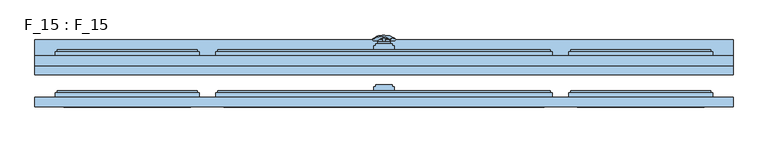
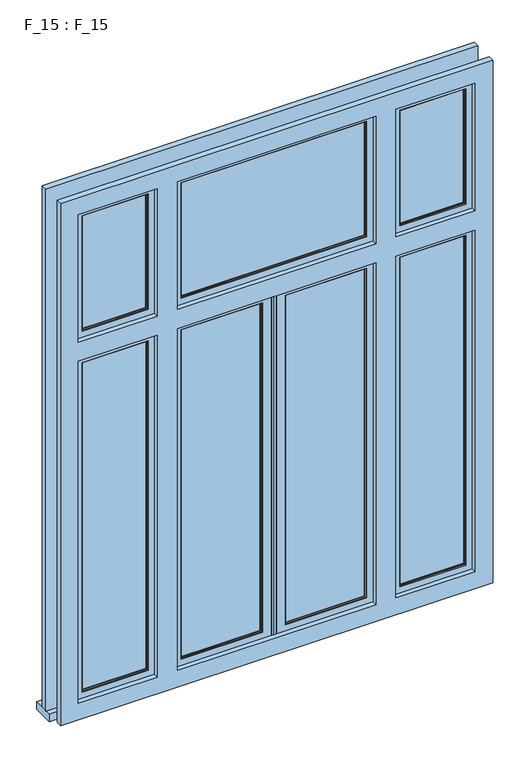
"""IFC4 building model written with IfcOpenShell, lengths in millimetres: window geometry, F_15 : F_15."""

from ifc_helpers import new_model, si_unit, point, frame, frame_2d, origin, place, context, project, spatial, polyline, circle_curve, ellipse_curve, trimmed, segment, composite_curve, outline, extrude, faceted_brep, source, transform, mapped, element, save
from ifc_brep_helpers import plane_surface, revolved_surface, advanced_brep


def f_15_f_15_17ebb939(model_context):
    return source(origin(), model_context, "Body", "SolidModel", [
        advanced_brep(
        [(-28.5497704, 85.2287724, 1583.0503474), (-14.693364, 85.2287724, 1575.0503474), (14.693364, 85.2287724, 1657.9496533), (28.5497704, 85.2287724, 1649.9496533)],
        [
            (0, 1, ellipse_curve(frame((-21.6215672, 85.2287724, 1579.0503474), z_axis=(-0.46984631039295827, -0.3420201433256777, -0.8137976813493676), x_axis=(0.8660254037844349, 0.0, -0.5000000000000066)), 8.0, 3.5)),
            (1, 0, ellipse_curve(frame((-21.6215672, 85.2287724, 1579.0503474), z_axis=(-0.46984631039295827, -0.3420201433256777, -0.8137976813493676), x_axis=(0.8660254037844349, 0.0, -0.5000000000000066)), 8.0, 3.5)),
            (2, 3, ellipse_curve(frame((21.6215672, 85.2287724, 1653.9496533), z_axis=(0.46984631039296154, -0.3420201433256599, 0.8137976813493732), x_axis=(0.8660254037844355, 0.0, -0.5000000000000056)), 8.0, 3.5)),
            (3, 2, ellipse_curve(frame((21.6215672, 85.2287724, 1653.9496533), z_axis=(0.46984631039296154, -0.3420201433256599, 0.8137976813493732), x_axis=(0.8660254037844355, 0.0, -0.5000000000000056)), 8.0, 3.5)),
            (2, 0, circle_curve(frame((-6.9282032, -33.580763, 1620.5000003), z_axis=(-0.8660254037844353, 0.0, 0.500000000000006), x_axis=(-0.1710100716628409, 0.9396926207859051, -0.29619813272603046)), 126.4344667)),
            (1, 3, circle_curve(frame((6.9282032, -33.580763, 1612.5000003), z_axis=(0.8660254037844353, 0.0, -0.500000000000006), x_axis=(-0.1710100716628409, 0.9396926207859051, -0.29619813272603046)), 126.4344667)),
        ],
        [
            plane_surface(frame((40.0926994, 82.5471681, 1544.5466146), z_axis=(-0.4698463103929582, -0.34202014332567776, -0.8137976813493677), x_axis=(-0.8660254037844352, 0.0, 0.500000000000006))),
            plane_surface(frame((82.3598097, 82.5471681, 1617.755397), z_axis=(0.4698463103929615, -0.34202014332565983, 0.8137976813493734), x_axis=(-0.8660254037844352, 0.0, 0.500000000000006))),
            revolved_surface(trimmed(ellipse_curve(frame((-21.6215672, 85.2287724, 1579.0503474), z_axis=(0.46984631039295827, 0.3420201433256777, 0.8137976813493676), x_axis=(0.8660254037844349, 0.0, -0.5000000000000066)), 8.0, 3.5), [point((-28.5497704, 85.2287724, 1583.0503474))], [point((-14.693364, 85.2287724, 1575.0503474))], True, "CARTESIAN"), (61.2262546, -33.580763, 1581.1510058), (-0.8660254037844353, 0.0, 0.500000000000006)),
            revolved_surface(trimmed(ellipse_curve(frame((-21.6215672, 85.2287724, 1579.0503474), z_axis=(0.46984631039295827, 0.3420201433256777, 0.8137976813493676), x_axis=(0.8660254037844349, 0.0, -0.5000000000000066)), 8.0, 3.5), [point((-14.693364, 85.2287724, 1575.0503474))], [point((-28.5497704, 85.2287724, 1583.0503474))], True, "CARTESIAN"), (61.2262546, -33.580763, 1581.1510058), (-0.8660254037844353, 0.0, 0.500000000000006)),
        ],
        [
            (0, [[1, 2]]),
            (1, [[3, 4]]),
            (2, [[-3, 5, -2, 6]]),
            (3, [[-4, -6, -1, -5]]),
        ],
    ),
        extrude(outline(composite_curve([segment(trimmed(circle_curve(frame_2d((1616.5000003, 0.0)), 3.5), [point((1616.5000003, -3.5))], [point((1616.5000003, 3.5))], False, "CARTESIAN"), True, "CONTINUOUS"), segment(trimmed(circle_curve(frame_2d((1616.5000003, 0.0)), 3.5), [point((1616.5000003, 3.5))], [point((1616.5000003, -3.5))], False, "CARTESIAN"), True, "CONTINUOUS")], self_intersect=False)), frame((0.0, 80.0, 0.0), z_axis=(0.0, 1.0, 0.0), x_axis=(0.0, 0.0, 1.0)), (0.0, 0.0, 1.0), 10.0),
        extrude(outline(composite_curve([segment(polyline([(1680.8020112, -15.0), (1550.8020112, -15.0)]), True, "CONTINUOUS"), segment(trimmed(circle_curve(frame_2d((1550.8020112, 0.0)), 15.0), [point((1550.8020112, -15.0))], [point((1550.8020112, 15.0))], False, "CARTESIAN"), True, "CONTINUOUS"), segment(polyline([(1550.8020112, 15.0), (1680.8020112, 15.0)]), True, "CONTINUOUS"), segment(trimmed(circle_curve(frame_2d((1680.8020112, 0.0)), 15.0), [point((1680.8020112, 15.0))], [point((1680.8020112, -15.0))], False, "CARTESIAN"), True, "CONTINUOUS")], self_intersect=False)), frame((0.0, 75.0, 0.0), z_axis=(0.0, 1.0, 0.0), x_axis=(0.0, 0.0, 1.0)), (0.0, 0.0, 1.0), 5.0),
        extrude(outline(polyline([(850.0, 85.0), (850.0, 0.0), (-850.0, 0.0), (-850.0, 85.0), (850.0, 85.0)])), frame((0.0, 0.0, 810.0), z_axis=(0.0, 0.0, 1.0), x_axis=(1.0, 0.0, 0.0)), (0.0, 0.0, 1.0), 30.0),
        faceted_brep([(400.0, -60.0, 2950.0), (400.0, -60.0, 2400.0000003), (400.0, -55.0, 2400.0000003), (400.0, -55.0, 2950.0), (365.0, -55.0, 2915.0), (365.0, -55.0, 2435.0000003), (365.0, -60.0, 2435.0000003), (365.0, -60.0, 2915.0), (360.0, -45.0, 2910.0), (360.0, -45.0, 2440.0000003), (360.0, -55.0, 2440.0000003), (360.0, -55.0, 2910.0), (365.0, -40.0, 2915.0), (365.0, -40.0, 2435.0000003), (365.0, -45.0, 2435.0000003), (365.0, -45.0, 2915.0), (405.0, -45.0, 2955.0), (405.0, -45.0, 2395.0000003), (405.0, -40.0, 2395.0000003), (405.0, -40.0, 2955.0), (410.0, -55.0, 2960.0), (410.0, -55.0, 2390.0000003), (410.0, -45.0, 2390.0000003), (410.0, -45.0, 2960.0), (-400.0, -60.0, 2400.0000003), (-400.0, -55.0, 2400.0000003), (-365.0, -55.0, 2435.0000003), (-365.0, -60.0, 2435.0000003), (-360.0, -45.0, 2440.0000003), (-360.0, -55.0, 2440.0000003), (-365.0, -40.0, 2435.0000003), (-365.0, -45.0, 2435.0000003), (-405.0, -45.0, 2395.0000003), (-405.0, -40.0, 2395.0000003), (-410.0, -55.0, 2390.0000003), (-410.0, -45.0, 2390.0000003), (-400.0, -60.0, 2950.0), (-400.0, -55.0, 2950.0), (-365.0, -55.0, 2915.0), (-365.0, -60.0, 2915.0), (-360.0, -45.0, 2910.0), (-360.0, -55.0, 2910.0), (-365.0, -40.0, 2915.0), (-365.0, -45.0, 2915.0), (-405.0, -45.0, 2955.0), (-405.0, -40.0, 2955.0), (-410.0, -55.0, 2960.0), (-410.0, -45.0, 2960.0)], [[[0, 1, 2, 3]], [[4, 5, 6, 7]], [[8, 9, 10, 11]], [[12, 13, 14, 15]], [[16, 17, 18, 19]], [[20, 21, 22, 23]], [[1, 24, 25, 2]], [[5, 26, 27, 6]], [[9, 28, 29, 10]], [[13, 30, 31, 14]], [[17, 32, 33, 18]], [[21, 34, 35, 22]], [[24, 36, 37, 25]], [[26, 38, 39, 27]], [[28, 40, 41, 29]], [[30, 42, 43, 31]], [[32, 44, 45, 33]], [[34, 46, 47, 35]], [[21, 20, 46, 34], [3, 2, 25, 37]], [[36, 0, 3, 37]], [[1, 0, 36, 24], [7, 6, 27, 39]], [[38, 4, 7, 39]], [[5, 4, 38, 26], [11, 10, 29, 41]], [[40, 8, 11, 41]], [[15, 14, 31, 43], [9, 8, 40, 28]], [[42, 12, 15, 43]], [[19, 18, 33, 45], [13, 12, 42, 30]], [[44, 16, 19, 45]], [[23, 22, 35, 47], [17, 16, 44, 32]], [[46, 20, 23, 47]]]),
        faceted_brep([(460.0, -55.0, 2950.0), (460.0, -55.0, 2400.0000003), (460.0, -60.0, 2400.0000003), (460.0, -60.0, 2950.0), (495.0, -60.0, 2915.0), (495.0, -60.0, 2435.0000003), (495.0, -55.0, 2435.0000003), (495.0, -55.0, 2915.0), (500.0, -55.0, 2910.0), (500.0, -55.0, 2440.0000003), (500.0, -45.0, 2440.0000003), (500.0, -45.0, 2910.0), (495.0, -45.0, 2915.0), (495.0, -45.0, 2435.0000003), (495.0, -40.0, 2435.0000003), (495.0, -40.0, 2915.0), (455.0, -40.0, 2955.0), (455.0, -40.0, 2395.0000003), (455.0, -45.0, 2395.0000003), (455.0, -45.0, 2955.0), (450.0, -45.0, 2960.0), (450.0, -45.0, 2390.0000003), (450.0, -55.0, 2390.0000003), (450.0, -55.0, 2960.0), (790.0, -55.0, 2400.0000003), (790.0, -60.0, 2400.0000003), (755.0, -60.0, 2435.0000003), (755.0, -55.0, 2435.0000003), (750.0, -55.0, 2440.0000003), (750.0, -45.0, 2440.0000003), (755.0, -45.0, 2435.0000003), (755.0, -40.0, 2435.0000003), (795.0, -40.0, 2395.0000003), (795.0, -45.0, 2395.0000003), (800.0, -45.0, 2390.0000003), (800.0, -55.0, 2390.0000003), (790.0, -55.0, 2950.0), (790.0, -60.0, 2950.0), (755.0, -60.0, 2915.0), (755.0, -55.0, 2915.0), (750.0, -55.0, 2910.0), (750.0, -45.0, 2910.0), (755.0, -45.0, 2915.0), (755.0, -40.0, 2915.0), (795.0, -40.0, 2955.0), (795.0, -45.0, 2955.0), (800.0, -45.0, 2960.0), (800.0, -55.0, 2960.0)], [[[0, 1, 2, 3]], [[4, 5, 6, 7]], [[8, 9, 10, 11]], [[12, 13, 14, 15]], [[16, 17, 18, 19]], [[20, 21, 22, 23]], [[1, 24, 25, 2]], [[5, 26, 27, 6]], [[9, 28, 29, 10]], [[13, 30, 31, 14]], [[17, 32, 33, 18]], [[21, 34, 35, 22]], [[24, 36, 37, 25]], [[26, 38, 39, 27]], [[28, 40, 41, 29]], [[30, 42, 43, 31]], [[32, 44, 45, 33]], [[34, 46, 47, 35]], [[23, 22, 35, 47], [1, 0, 36, 24]], [[36, 0, 3, 37]], [[3, 2, 25, 37], [5, 4, 38, 26]], [[38, 4, 7, 39]], [[7, 6, 27, 39], [9, 8, 40, 28]], [[40, 8, 11, 41]], [[13, 12, 42, 30], [11, 10, 29, 41]], [[42, 12, 15, 43]], [[17, 16, 44, 32], [15, 14, 31, 43]], [[44, 16, 19, 45]], [[21, 20, 46, 34], [19, 18, 33, 45]], [[46, 20, 23, 47]]]),
        faceted_brep([(-460.0, -60.0, 2950.0), (-460.0, -60.0, 2400.0000003), (-460.0, -55.0, 2400.0000003), (-460.0, -55.0, 2950.0), (-495.0, -55.0, 2915.0), (-495.0, -55.0, 2435.0000003), (-495.0, -60.0, 2435.0000003), (-495.0, -60.0, 2915.0), (-500.0, -45.0, 2910.0), (-500.0, -45.0, 2440.0000003), (-500.0, -55.0, 2440.0000003), (-500.0, -55.0, 2910.0), (-495.0, -40.0, 2915.0), (-495.0, -40.0, 2435.0000003), (-495.0, -45.0, 2435.0000003), (-495.0, -45.0, 2915.0), (-455.0, -45.0, 2955.0), (-455.0, -45.0, 2395.0000003), (-455.0, -40.0, 2395.0000003), (-455.0, -40.0, 2955.0), (-450.0, -55.0, 2960.0), (-450.0, -55.0, 2390.0000003), (-450.0, -45.0, 2390.0000003), (-450.0, -45.0, 2960.0), (-790.0, -60.0, 2400.0000003), (-790.0, -55.0, 2400.0000003), (-755.0, -55.0, 2435.0000003), (-755.0, -60.0, 2435.0000003), (-750.0, -45.0, 2440.0000003), (-750.0, -55.0, 2440.0000003), (-755.0, -40.0, 2435.0000003), (-755.0, -45.0, 2435.0000003), (-795.0, -45.0, 2395.0000003), (-795.0, -40.0, 2395.0000003), (-800.0, -55.0, 2390.0000003), (-800.0, -45.0, 2390.0000003), (-790.0, -60.0, 2950.0), (-790.0, -55.0, 2950.0), (-755.0, -55.0, 2915.0), (-755.0, -60.0, 2915.0), (-750.0, -45.0, 2910.0), (-750.0, -55.0, 2910.0), (-755.0, -40.0, 2915.0), (-755.0, -45.0, 2915.0), (-795.0, -45.0, 2955.0), (-795.0, -40.0, 2955.0), (-800.0, -55.0, 2960.0), (-800.0, -45.0, 2960.0)], [[[0, 1, 2, 3]], [[4, 5, 6, 7]], [[8, 9, 10, 11]], [[12, 13, 14, 15]], [[16, 17, 18, 19]], [[20, 21, 22, 23]], [[1, 24, 25, 2]], [[5, 26, 27, 6]], [[9, 28, 29, 10]], [[13, 30, 31, 14]], [[17, 32, 33, 18]], [[21, 34, 35, 22]], [[24, 36, 37, 25]], [[26, 38, 39, 27]], [[28, 40, 41, 29]], [[30, 42, 43, 31]], [[32, 44, 45, 33]], [[34, 46, 47, 35]], [[21, 20, 46, 34], [3, 2, 25, 37]], [[36, 0, 3, 37]], [[1, 0, 36, 24], [7, 6, 27, 39]], [[38, 4, 7, 39]], [[5, 4, 38, 26], [11, 10, 29, 41]], [[40, 8, 11, 41]], [[15, 14, 31, 43], [9, 8, 40, 28]], [[42, 12, 15, 43]], [[19, 18, 33, 45], [13, 12, 42, 30]], [[44, 16, 19, 45]], [[23, 22, 35, 47], [17, 16, 44, 32]], [[46, 20, 23, 47]]]),
        faceted_brep([(400.0, 40.0, 2950.0), (400.0, 40.0, 2400.0000003), (400.0, 45.0, 2400.0000003), (400.0, 45.0, 2950.0), (365.0, 45.0, 2915.0), (365.0, 45.0, 2435.0000003), (365.0, 40.0, 2435.0000003), (365.0, 40.0, 2915.0), (360.0, 55.0, 2910.0), (360.0, 55.0, 2440.0000003), (360.0, 45.0, 2440.0000003), (360.0, 45.0, 2910.0), (365.0, 60.0, 2915.0), (365.0, 60.0, 2435.0000003), (365.0, 55.0, 2435.0000003), (365.0, 55.0, 2915.0), (405.0, 55.0, 2955.0), (405.0, 55.0, 2395.0000003), (405.0, 60.0, 2395.0000003), (405.0, 60.0, 2955.0), (410.0, 45.0, 2960.0), (410.0, 45.0, 2390.0000003), (410.0, 55.0, 2390.0000003), (410.0, 55.0, 2960.0), (-400.0, 40.0, 2400.0000003), (-400.0, 45.0, 2400.0000003), (-365.0, 45.0, 2435.0000003), (-365.0, 40.0, 2435.0000003), (-360.0, 55.0, 2440.0000003), (-360.0, 45.0, 2440.0000003), (-365.0, 60.0, 2435.0000003), (-365.0, 55.0, 2435.0000003), (-405.0, 55.0, 2395.0000003), (-405.0, 60.0, 2395.0000003), (-410.0, 45.0, 2390.0000003), (-410.0, 55.0, 2390.0000003), (-400.0, 40.0, 2950.0), (-400.0, 45.0, 2950.0), (-365.0, 45.0, 2915.0), (-365.0, 40.0, 2915.0), (-360.0, 55.0, 2910.0), (-360.0, 45.0, 2910.0), (-365.0, 60.0, 2915.0), (-365.0, 55.0, 2915.0), (-405.0, 55.0, 2955.0), (-405.0, 60.0, 2955.0), (-410.0, 45.0, 2960.0), (-410.0, 55.0, 2960.0)], [[[0, 1, 2, 3]], [[4, 5, 6, 7]], [[8, 9, 10, 11]], [[12, 13, 14, 15]], [[16, 17, 18, 19]], [[20, 21, 22, 23]], [[1, 24, 25, 2]], [[5, 26, 27, 6]], [[9, 28, 29, 10]], [[13, 30, 31, 14]], [[17, 32, 33, 18]], [[21, 34, 35, 22]], [[24, 36, 37, 25]], [[26, 38, 39, 27]], [[28, 40, 41, 29]], [[30, 42, 43, 31]], [[32, 44, 45, 33]], [[34, 46, 47, 35]], [[21, 20, 46, 34], [3, 2, 25, 37]], [[36, 0, 3, 37]], [[1, 0, 36, 24], [7, 6, 27, 39]], [[38, 4, 7, 39]], [[5, 4, 38, 26], [11, 10, 29, 41]], [[40, 8, 11, 41]], [[15, 14, 31, 43], [9, 8, 40, 28]], [[42, 12, 15, 43]], [[19, 18, 33, 45], [13, 12, 42, 30]], [[44, 16, 19, 45]], [[23, 22, 35, 47], [17, 16, 44, 32]], [[46, 20, 23, 47]]]),
        faceted_brep([(460.0, 45.0, 2950.0), (460.0, 45.0, 2400.0000003), (460.0, 40.0, 2400.0000003), (460.0, 40.0, 2950.0), (495.0, 40.0, 2915.0), (495.0, 40.0, 2435.0000003), (495.0, 45.0, 2435.0000003), (495.0, 45.0, 2915.0), (500.0, 45.0, 2910.0), (500.0, 45.0, 2440.0000003), (500.0, 55.0, 2440.0000003), (500.0, 55.0, 2910.0), (495.0, 55.0, 2915.0), (495.0, 55.0, 2435.0000003), (495.0, 60.0, 2435.0000003), (495.0, 60.0, 2915.0), (455.0, 60.0, 2955.0), (455.0, 60.0, 2395.0000003), (455.0, 55.0, 2395.0000003), (455.0, 55.0, 2955.0), (450.0, 55.0, 2960.0), (450.0, 55.0, 2390.0000003), (450.0, 45.0, 2390.0000003), (450.0, 45.0, 2960.0), (790.0, 45.0, 2400.0000003), (790.0, 40.0, 2400.0000003), (755.0, 40.0, 2435.0000003), (755.0, 45.0, 2435.0000003), (750.0, 45.0, 2440.0000003), (750.0, 55.0, 2440.0000003), (755.0, 55.0, 2435.0000003), (755.0, 60.0, 2435.0000003), (795.0, 60.0, 2395.0000003), (795.0, 55.0, 2395.0000003), (800.0, 55.0, 2390.0000003), (800.0, 45.0, 2390.0000003), (790.0, 45.0, 2950.0), (790.0, 40.0, 2950.0), (755.0, 40.0, 2915.0), (755.0, 45.0, 2915.0), (750.0, 45.0, 2910.0), (750.0, 55.0, 2910.0), (755.0, 55.0, 2915.0), (755.0, 60.0, 2915.0), (795.0, 60.0, 2955.0), (795.0, 55.0, 2955.0), (800.0, 55.0, 2960.0), (800.0, 45.0, 2960.0)], [[[0, 1, 2, 3]], [[4, 5, 6, 7]], [[8, 9, 10, 11]], [[12, 13, 14, 15]], [[16, 17, 18, 19]], [[20, 21, 22, 23]], [[1, 24, 25, 2]], [[5, 26, 27, 6]], [[9, 28, 29, 10]], [[13, 30, 31, 14]], [[17, 32, 33, 18]], [[21, 34, 35, 22]], [[24, 36, 37, 25]], [[26, 38, 39, 27]], [[28, 40, 41, 29]], [[30, 42, 43, 31]], [[32, 44, 45, 33]], [[34, 46, 47, 35]], [[23, 22, 35, 47], [1, 0, 36, 24]], [[36, 0, 3, 37]], [[3, 2, 25, 37], [5, 4, 38, 26]], [[38, 4, 7, 39]], [[7, 6, 27, 39], [9, 8, 40, 28]], [[40, 8, 11, 41]], [[13, 12, 42, 30], [11, 10, 29, 41]], [[42, 12, 15, 43]], [[17, 16, 44, 32], [15, 14, 31, 43]], [[44, 16, 19, 45]], [[21, 20, 46, 34], [19, 18, 33, 45]], [[46, 20, 23, 47]]]),
        faceted_brep([(-460.0, 40.0, 2950.0), (-460.0, 40.0, 2400.0000003), (-460.0, 45.0, 2400.0000003), (-460.0, 45.0, 2950.0), (-495.0, 45.0, 2915.0), (-495.0, 45.0, 2435.0000003), (-495.0, 40.0, 2435.0000003), (-495.0, 40.0, 2915.0), (-500.0, 55.0, 2910.0), (-500.0, 55.0, 2440.0000003), (-500.0, 45.0, 2440.0000003), (-500.0, 45.0, 2910.0), (-495.0, 60.0, 2915.0), (-495.0, 60.0, 2435.0000003), (-495.0, 55.0, 2435.0000003), (-495.0, 55.0, 2915.0), (-455.0, 55.0, 2955.0), (-455.0, 55.0, 2395.0000003), (-455.0, 60.0, 2395.0000003), (-455.0, 60.0, 2955.0), (-450.0, 45.0, 2960.0), (-450.0, 45.0, 2390.0000003), (-450.0, 55.0, 2390.0000003), (-450.0, 55.0, 2960.0), (-790.0, 40.0, 2400.0000003), (-790.0, 45.0, 2400.0000003), (-755.0, 45.0, 2435.0000003), (-755.0, 40.0, 2435.0000003), (-750.0, 55.0, 2440.0000003), (-750.0, 45.0, 2440.0000003), (-755.0, 60.0, 2435.0000003), (-755.0, 55.0, 2435.0000003), (-795.0, 55.0, 2395.0000003), (-795.0, 60.0, 2395.0000003), (-800.0, 45.0, 2390.0000003), (-800.0, 55.0, 2390.0000003), (-790.0, 40.0, 2950.0), (-790.0, 45.0, 2950.0), (-755.0, 45.0, 2915.0), (-755.0, 40.0, 2915.0), (-750.0, 55.0, 2910.0), (-750.0, 45.0, 2910.0), (-755.0, 60.0, 2915.0), (-755.0, 55.0, 2915.0), (-795.0, 55.0, 2955.0), (-795.0, 60.0, 2955.0), (-800.0, 45.0, 2960.0), (-800.0, 55.0, 2960.0)], [[[0, 1, 2, 3]], [[4, 5, 6, 7]], [[8, 9, 10, 11]], [[12, 13, 14, 15]], [[16, 17, 18, 19]], [[20, 21, 22, 23]], [[1, 24, 25, 2]], [[5, 26, 27, 6]], [[9, 28, 29, 10]], [[13, 30, 31, 14]], [[17, 32, 33, 18]], [[21, 34, 35, 22]], [[24, 36, 37, 25]], [[26, 38, 39, 27]], [[28, 40, 41, 29]], [[30, 42, 43, 31]], [[32, 44, 45, 33]], [[34, 46, 47, 35]], [[21, 20, 46, 34], [3, 2, 25, 37]], [[36, 0, 3, 37]], [[1, 0, 36, 24], [7, 6, 27, 39]], [[38, 4, 7, 39]], [[5, 4, 38, 26], [11, 10, 29, 41]], [[40, 8, 11, 41]], [[15, 14, 31, 43], [9, 8, 40, 28]], [[42, 12, 15, 43]], [[19, 18, 33, 45], [13, 12, 42, 30]], [[44, 16, 19, 45]], [[23, 22, 35, 47], [17, 16, 44, 32]], [[46, 20, 23, 47]]]),
        faceted_brep([(-850.0, -79.0, 840.0), (-850.0, -55.0, 840.0), (850.0, -55.0, 840.0), (850.0, -79.0, 840.0), (-850.0, -79.0, 3010.0), (-850.0, -55.0, 3010.0), (850.0, -55.0, 3010.0), (-400.0, -55.0, 2340.0000007), (-400.0, -55.0, 900.0), (400.0, -55.0, 900.0), (400.0, -55.0, 2340.0000007), (-790.0, -55.0, 2340.0000007), (-790.0, -55.0, 900.0), (-460.0, -55.0, 900.0), (-460.0, -55.0, 2340.0000007), (790.0, -55.0, 2340.0000007), (460.0, -55.0, 2340.0000007), (460.0, -55.0, 900.0), (790.0, -55.0, 900.0), (790.0, -55.0, 2950.0), (460.0, -55.0, 2950.0), (460.0, -55.0, 2400.0000007), (790.0, -55.0, 2400.0000007), (-790.0, -55.0, 2950.0), (-790.0, -55.0, 2400.0000007), (-460.0, -55.0, 2400.0000007), (-460.0, -55.0, 2950.0), (-400.0, -55.0, 2950.0), (-400.0, -55.0, 2400.0000007), (400.0, -55.0, 2400.0000007), (400.0, -55.0, 2950.0), (850.0, -79.0, 3010.0), (-780.0, -79.0, 910.0), (-780.0, -79.0, 2330.0000007), (-470.0, -79.0, 2330.0000007), (-470.0, -79.0, 910.0), (-390.0, -79.0, 910.0), (-390.0, -79.0, 2330.0000007), (390.0, -79.0, 2330.0000007), (390.0, -79.0, 910.0), (780.0, -79.0, 910.0), (470.0, -79.0, 910.0), (470.0, -79.0, 2330.0000007), (780.0, -79.0, 2330.0000007), (780.0, -79.0, 2410.0000007), (470.0, -79.0, 2410.0000007), (470.0, -79.0, 2940.0), (780.0, -79.0, 2940.0), (-780.0, -79.0, 2410.0000007), (-780.0, -79.0, 2940.0), (-470.0, -79.0, 2940.0), (-470.0, -79.0, 2410.0000007), (-390.0, -79.0, 2410.0000007), (-390.0, -79.0, 2940.0), (390.0, -79.0, 2940.0), (390.0, -79.0, 2410.0000007), (790.0, -60.0, 900.0), (460.0, -60.0, 900.0), (460.0, -60.0, 2340.0000007), (790.0, -60.0, 2340.0000007), (780.0, -60.0, 2330.0000007), (470.0, -60.0, 2330.0000007), (470.0, -60.0, 910.0), (780.0, -60.0, 910.0), (400.0, -60.0, 900.0), (-400.0, -60.0, 900.0), (-400.0, -60.0, 2340.0000007), (400.0, -60.0, 2340.0000007), (390.0, -60.0, 910.0), (390.0, -60.0, 2330.0000007), (-390.0, -60.0, 2330.0000007), (-390.0, -60.0, 910.0), (-790.0, -60.0, 2340.0000007), (-460.0, -60.0, 2340.0000007), (-460.0, -60.0, 900.0), (-790.0, -60.0, 900.0), (-780.0, -60.0, 910.0), (-470.0, -60.0, 910.0), (-470.0, -60.0, 2330.0000007), (-780.0, -60.0, 2330.0000007), (-790.0, -60.0, 2950.0), (-460.0, -60.0, 2950.0), (-460.0, -60.0, 2400.0000007), (-790.0, -60.0, 2400.0000007), (-780.0, -60.0, 2410.0000007), (-470.0, -60.0, 2410.0000007), (-470.0, -60.0, 2940.0), (-780.0, -60.0, 2940.0), (790.0, -60.0, 2400.0000007), (460.0, -60.0, 2400.0000007), (460.0, -60.0, 2950.0), (790.0, -60.0, 2950.0), (780.0, -60.0, 2940.0), (470.0, -60.0, 2940.0), (470.0, -60.0, 2410.0000007), (780.0, -60.0, 2410.0000007), (400.0, -60.0, 2400.0000007), (-400.0, -60.0, 2400.0000007), (-400.0, -60.0, 2950.0), (400.0, -60.0, 2950.0), (-390.0, -60.0, 2940.0), (-390.0, -60.0, 2410.0000007), (390.0, -60.0, 2410.0000007), (390.0, -60.0, 2940.0)], [[[0, 1, 2, 3]], [[0, 4, 5, 1]], [[5, 6, 2, 1], [7, 8, 9, 10], [11, 12, 13, 14], [15, 16, 17, 18], [19, 20, 21, 22], [23, 24, 25, 26], [27, 28, 29, 30]], [[0, 3, 31, 4], [32, 33, 34, 35], [36, 37, 38, 39], [40, 41, 42, 43], [44, 45, 46, 47], [48, 49, 50, 51], [52, 53, 54, 55]], [[31, 3, 2, 6]], [[56, 57, 58, 59], [60, 61, 62, 63]], [[64, 65, 66, 67], [68, 69, 70, 71]], [[72, 73, 74, 75], [76, 77, 78, 79]], [[80, 81, 82, 83], [84, 85, 86, 87]], [[88, 89, 90, 91], [92, 93, 94, 95]], [[96, 97, 98, 99], [100, 101, 102, 103]], [[40, 43, 60, 63]], [[92, 95, 44, 47]], [[32, 35, 77, 76]], [[63, 62, 41, 40]], [[71, 36, 39, 68]], [[61, 42, 41, 62]], [[93, 46, 45, 94]], [[76, 79, 33, 32]], [[49, 48, 84, 87]], [[77, 35, 34, 78]], [[85, 51, 50, 86]], [[12, 11, 72, 75]], [[80, 83, 24, 23]], [[18, 17, 57, 56]], [[8, 65, 64, 9]], [[74, 13, 12, 75]], [[25, 82, 81, 26]], [[73, 14, 13, 74]], [[56, 59, 15, 18]], [[19, 22, 88, 91]], [[57, 17, 16, 58]], [[20, 90, 89, 21]], [[70, 37, 36, 71]], [[100, 53, 52, 101]], [[68, 39, 38, 69]], [[102, 55, 54, 103]], [[67, 10, 9, 64]], [[29, 96, 99, 30]], [[65, 8, 7, 66]], [[27, 98, 97, 28]], [[5, 4, 31, 6]], [[43, 42, 61, 60]], [[79, 78, 34, 33]], [[69, 38, 37, 70]], [[48, 51, 85, 84]], [[95, 94, 45, 44]], [[101, 52, 55, 102]], [[47, 46, 93, 92]], [[87, 86, 50, 49]], [[103, 54, 53, 100]], [[11, 14, 73, 72]], [[58, 16, 15, 59]], [[66, 7, 10, 67]], [[22, 21, 89, 88]], [[82, 25, 24, 83]], [[96, 29, 28, 97]], [[23, 26, 81, 80]], [[90, 20, 19, 91]], [[30, 99, 98, 27]]]),
        faceted_brep([(850.0, 21.0, 3010.0), (850.0, 21.0, 840.0), (850.0, 45.0, 840.0), (850.0, 45.0, 3010.0), (-850.0, 21.0, 840.0), (-850.0, 45.0, 840.0), (-850.0, 45.0, 3010.0), (790.0, 45.0, 900.0), (790.0, 45.0, 2340.0000007), (460.0, 45.0, 2340.0000007), (460.0, 45.0, 900.0), (400.0, 45.0, 900.0), (400.0, 45.0, 2340.0000007), (-400.0, 45.0, 2340.0000007), (-400.0, 45.0, 900.0), (-460.0, 45.0, 900.0), (-460.0, 45.0, 2340.0000007), (-790.0, 45.0, 2340.0000007), (-790.0, 45.0, 900.0), (-790.0, 45.0, 2950.0), (-790.0, 45.0, 2400.0000007), (-460.0, 45.0, 2400.0000007), (-460.0, 45.0, 2950.0), (-400.0, 45.0, 2950.0), (-400.0, 45.0, 2400.0000007), (400.0, 45.0, 2400.0000007), (400.0, 45.0, 2950.0), (460.0, 45.0, 2950.0), (460.0, 45.0, 2400.0000007), (790.0, 45.0, 2400.0000007), (790.0, 45.0, 2950.0), (-850.0, 21.0, 3010.0), (-390.0, 21.0, 910.0), (-390.0, 21.0, 2330.0000007), (390.0, 21.0, 2330.0000007), (390.0, 21.0, 910.0), (470.0, 21.0, 910.0), (470.0, 21.0, 2330.0000007), (780.0, 21.0, 2330.0000007), (780.0, 21.0, 910.0), (-780.0, 21.0, 910.0), (-780.0, 21.0, 2330.0000007), (-470.0, 21.0, 2330.0000007), (-470.0, 21.0, 910.0), (-470.0, 21.0, 2940.0), (-470.0, 21.0, 2410.0000007), (-780.0, 21.0, 2410.0000007), (-780.0, 21.0, 2940.0), (780.0, 21.0, 2940.0), (780.0, 21.0, 2410.0000007), (470.0, 21.0, 2410.0000007), (470.0, 21.0, 2940.0), (390.0, 21.0, 2940.0), (390.0, 21.0, 2410.0000007), (-390.0, 21.0, 2410.0000007), (-390.0, 21.0, 2940.0), (-790.0, 40.0, 900.0), (-790.0, 40.0, 2340.0000007), (-460.0, 40.0, 2340.0000007), (-460.0, 40.0, 900.0), (-470.0, 40.0, 910.0), (-470.0, 40.0, 2330.0000007), (-780.0, 40.0, 2330.0000007), (-780.0, 40.0, 910.0), (460.0, 40.0, 900.0), (460.0, 40.0, 2340.0000007), (790.0, 40.0, 2340.0000007), (790.0, 40.0, 900.0), (780.0, 40.0, 910.0), (780.0, 40.0, 2330.0000007), (470.0, 40.0, 2330.0000007), (470.0, 40.0, 910.0), (-400.0, 40.0, 900.0), (-400.0, 40.0, 2340.0000007), (400.0, 40.0, 2340.0000007), (400.0, 40.0, 900.0), (390.0, 40.0, 910.0), (390.0, 40.0, 2330.0000007), (-390.0, 40.0, 2330.0000007), (-390.0, 40.0, 910.0), (-460.0, 40.0, 2950.0), (-460.0, 40.0, 2400.0000007), (-790.0, 40.0, 2400.0000007), (-790.0, 40.0, 2950.0), (-780.0, 40.0, 2940.0), (-780.0, 40.0, 2410.0000007), (-470.0, 40.0, 2410.0000007), (-470.0, 40.0, 2940.0), (790.0, 40.0, 2950.0), (790.0, 40.0, 2400.0000007), (460.0, 40.0, 2400.0000007), (460.0, 40.0, 2950.0), (470.0, 40.0, 2940.0), (470.0, 40.0, 2410.0000007), (780.0, 40.0, 2410.0000007), (780.0, 40.0, 2940.0), (400.0, 40.0, 2950.0), (400.0, 40.0, 2400.0000007), (-400.0, 40.0, 2400.0000007), (-400.0, 40.0, 2950.0), (-390.0, 40.0, 2940.0), (-390.0, 40.0, 2410.0000007), (390.0, 40.0, 2410.0000007), (390.0, 40.0, 2940.0)], [[[0, 1, 2, 3]], [[1, 4, 5, 2]], [[3, 2, 5, 6], [7, 8, 9, 10], [11, 12, 13, 14], [15, 16, 17, 18], [19, 20, 21, 22], [23, 24, 25, 26], [27, 28, 29, 30]], [[4, 31, 6, 5]], [[31, 4, 1, 0], [32, 33, 34, 35], [36, 37, 38, 39], [40, 41, 42, 43], [44, 45, 46, 47], [48, 49, 50, 51], [52, 53, 54, 55]], [[56, 57, 58, 59], [60, 61, 62, 63]], [[64, 65, 66, 67], [68, 69, 70, 71]], [[72, 73, 74, 75], [76, 77, 78, 79]], [[80, 81, 82, 83], [84, 85, 86, 87]], [[88, 89, 90, 91], [92, 93, 94, 95]], [[96, 97, 98, 99], [100, 101, 102, 103]], [[40, 43, 60, 63]], [[68, 71, 36, 39]], [[35, 76, 79, 32]], [[63, 62, 41, 40]], [[47, 46, 85, 84]], [[43, 42, 61, 60]], [[87, 86, 45, 44]], [[71, 70, 37, 36]], [[51, 50, 93, 92]], [[39, 38, 69, 68]], [[95, 94, 49, 48]], [[79, 78, 33, 32]], [[55, 54, 101, 100]], [[35, 34, 77, 76]], [[103, 102, 53, 52]], [[7, 10, 64, 67]], [[56, 59, 15, 18]], [[14, 72, 75, 11]], [[59, 58, 16, 15]], [[22, 21, 81, 80]], [[18, 17, 57, 56]], [[83, 82, 20, 19]], [[67, 66, 8, 7]], [[30, 29, 89, 88]], [[10, 9, 65, 64]], [[91, 90, 28, 27]], [[75, 74, 12, 11]], [[26, 25, 97, 96]], [[14, 13, 73, 72]], [[99, 98, 24, 23]], [[3, 6, 31, 0]], [[61, 42, 41, 62]], [[77, 34, 33, 78]], [[69, 38, 37, 70]], [[48, 51, 92, 95]], [[84, 87, 44, 47]], [[55, 100, 103, 52]], [[85, 46, 45, 86]], [[101, 54, 53, 102]], [[93, 50, 49, 94]], [[19, 22, 80, 83]], [[88, 91, 27, 30]], [[26, 96, 99, 23]], [[20, 82, 81, 21]], [[24, 98, 97, 25]], [[28, 90, 89, 29]], [[16, 58, 57, 17]], [[12, 74, 73, 13]], [[8, 66, 65, 9]]]),
        faceted_brep([(-400.0000003, -55.0, 900.0), (-9.9999997, -55.0, 900.0), (-9.9999997, -60.0, 900.0), (-400.0000003, -60.0, 900.0), (-9.9999997, -55.0, 2340.0000007), (-9.9999997, -60.0, 2340.0000007), (-400.0000003, -60.0, 2340.0000007), (-44.9999997, -60.0, 2305.0000007), (-44.9999997, -60.0, 935.0), (-365.0000003, -60.0, 935.0), (-365.0000003, -60.0, 2305.0000007), (3e-07, -55.0, 890.0), (3e-07, -55.0, 2350.0000007), (-410.0000003, -55.0, 2350.0000007), (-410.0000003, -55.0, 890.0), (-400.0000003, -55.0, 2340.0000007), (-44.9999997, -55.0, 935.0), (-365.0000003, -55.0, 935.0), (-44.9999997, -55.0, 2305.0000007), (-365.0000003, -55.0, 2305.0000007), (-49.9999997, -55.0, 2300.0000007), (-49.9999997, -55.0, 940.0), (-360.0000003, -55.0, 940.0), (-360.0000003, -55.0, 2300.0000007), (-49.9999997, -45.0, 940.0), (-360.0000003, -45.0, 940.0), (-49.9999997, -45.0, 2300.0000007), (-44.9999997, -45.0, 2305.0000007), (-44.9999997, -45.0, 935.0), (-365.0000003, -45.0, 935.0), (-365.0000003, -45.0, 2305.0000007), (-360.0000003, -45.0, 2300.0000007), (-44.9999997, -40.0, 935.0), (-365.0000003, -40.0, 935.0), (-44.9999997, -40.0, 2305.0000007), (-4.9999997, -40.0, 2345.0000007), (-4.9999997, -40.0, 895.0), (-405.0000003, -40.0, 895.0), (-405.0000003, -40.0, 2345.0000007), (-365.0000003, -40.0, 2305.0000007), (-4.9999997, -45.0, 895.0), (-405.0000003, -45.0, 895.0), (-4.9999997, -45.0, 2345.0000007), (3e-07, -45.0, 2350.0000007), (3e-07, -45.0, 890.0), (-410.0000003, -45.0, 890.0), (-410.0000003, -45.0, 2350.0000007), (-405.0000003, -45.0, 2345.0000007)], [[[0, 1, 2, 3]], [[1, 4, 5, 2]], [[2, 5, 6, 3], [7, 8, 9, 10]], [[11, 12, 13, 14], [4, 1, 0, 15]], [[9, 8, 16, 17]], [[8, 7, 18, 16]], [[16, 18, 19, 17], [20, 21, 22, 23]], [[22, 21, 24, 25]], [[21, 20, 26, 24]], [[27, 28, 29, 30], [24, 26, 31, 25]], [[29, 28, 32, 33]], [[28, 27, 34, 32]], [[35, 36, 37, 38], [32, 34, 39, 33]], [[37, 36, 40, 41]], [[36, 35, 42, 40]], [[43, 44, 45, 46], [40, 42, 47, 41]], [[45, 44, 11, 14]], [[44, 43, 12, 11]], [[15, 0, 3, 6]], [[10, 9, 17, 19]], [[23, 22, 25, 31]], [[30, 29, 33, 39]], [[38, 37, 41, 47]], [[46, 45, 14, 13]], [[4, 15, 6, 5]], [[7, 10, 19, 18]], [[27, 30, 39, 34]], [[35, 38, 47, 42]], [[43, 46, 13, 12]], [[20, 23, 31, 26]]]),
        faceted_brep([(-400.0000003, 45.0, 900.0), (-9.9999997, 45.0, 900.0), (-9.9999997, 40.0, 900.0), (-400.0000003, 40.0, 900.0), (-9.9999997, 45.0, 2340.0000007), (-9.9999997, 40.0, 2340.0000007), (-400.0000003, 40.0, 2340.0000007), (-44.9999997, 40.0, 2305.0000007), (-44.9999997, 40.0, 935.0), (-365.0000003, 40.0, 935.0), (-365.0000003, 40.0, 2305.0000007), (3e-07, 45.0, 890.0), (3e-07, 45.0, 2350.0000007), (-410.0000003, 45.0, 2350.0000007), (-410.0000003, 45.0, 890.0), (-400.0000003, 45.0, 2340.0000007), (-44.9999997, 45.0, 935.0), (-365.0000003, 45.0, 935.0), (-44.9999997, 45.0, 2305.0000007), (-365.0000003, 45.0, 2305.0000007), (-49.9999997, 45.0, 2300.0000007), (-49.9999997, 45.0, 940.0), (-360.0000003, 45.0, 940.0), (-360.0000003, 45.0, 2300.0000007), (-49.9999997, 55.0, 940.0), (-360.0000003, 55.0, 940.0), (-49.9999997, 55.0, 2300.0000007), (-44.9999997, 55.0, 2305.0000007), (-44.9999997, 55.0, 935.0), (-365.0000003, 55.0, 935.0), (-365.0000003, 55.0, 2305.0000007), (-360.0000003, 55.0, 2300.0000007), (-44.9999997, 60.0, 935.0), (-365.0000003, 60.0, 935.0), (-44.9999997, 60.0, 2305.0000007), (-4.9999997, 60.0, 2345.0000007), (-4.9999997, 60.0, 895.0), (-405.0000003, 60.0, 895.0), (-405.0000003, 60.0, 2345.0000007), (-365.0000003, 60.0, 2305.0000007), (-4.9999997, 55.0, 895.0), (-405.0000003, 55.0, 895.0), (-4.9999997, 55.0, 2345.0000007), (3e-07, 55.0, 2350.0000007), (3e-07, 55.0, 890.0), (-410.0000003, 55.0, 890.0), (-410.0000003, 55.0, 2350.0000007), (-405.0000003, 55.0, 2345.0000007)], [[[0, 1, 2, 3]], [[1, 4, 5, 2]], [[2, 5, 6, 3], [7, 8, 9, 10]], [[11, 12, 13, 14], [4, 1, 0, 15]], [[9, 8, 16, 17]], [[8, 7, 18, 16]], [[16, 18, 19, 17], [20, 21, 22, 23]], [[22, 21, 24, 25]], [[21, 20, 26, 24]], [[27, 28, 29, 30], [24, 26, 31, 25]], [[29, 28, 32, 33]], [[28, 27, 34, 32]], [[35, 36, 37, 38], [32, 34, 39, 33]], [[37, 36, 40, 41]], [[36, 35, 42, 40]], [[43, 44, 45, 46], [40, 42, 47, 41]], [[45, 44, 11, 14]], [[44, 43, 12, 11]], [[15, 0, 3, 6]], [[10, 9, 17, 19]], [[23, 22, 25, 31]], [[30, 29, 33, 39]], [[38, 37, 41, 47]], [[46, 45, 14, 13]], [[4, 15, 6, 5]], [[7, 10, 19, 18]], [[27, 30, 39, 34]], [[35, 38, 47, 42]], [[43, 46, 13, 12]], [[20, 23, 31, 26]]]),
        extrude(outline(polyline([(-499.9999997, -48.0), (-499.9999997, -52.0), (-750.0000003, -52.0), (-750.0000003, -48.0), (-499.9999997, -48.0)])), frame((0.0, 0.0, 940.0), z_axis=(0.0, 0.0, 1.0), x_axis=(1.0, 0.0, 0.0)), (0.0, 0.0, 1.0), 1360.0000007),
        extrude(outline(polyline([(-49.9999997, -48.0), (-49.9999997, -52.0), (-360.0000003, -52.0), (-360.0000003, -48.0), (-49.9999997, -48.0)])), frame((0.0, 0.0, 940.0), z_axis=(0.0, 0.0, 1.0), x_axis=(1.0, 0.0, 0.0)), (0.0, 0.0, 1.0), 1360.0000007),
        extrude(outline(polyline([(360.0000003, -48.0), (360.0000003, -52.0), (49.9999997, -52.0), (49.9999997, -48.0), (360.0000003, -48.0)])), frame((0.0, 0.0, 940.0), z_axis=(0.0, 0.0, 1.0), x_axis=(1.0, 0.0, 0.0)), (0.0, 0.0, 1.0), 1360.0000007),
        extrude(outline(polyline([(750.0000003, -48.0), (750.0000003, -52.0), (499.9999997, -52.0), (499.9999997, -48.0), (750.0000003, -48.0)])), frame((0.0, 0.0, 940.0), z_axis=(0.0, 0.0, 1.0), x_axis=(1.0, 0.0, 0.0)), (0.0, 0.0, 1.0), 1360.0000007),
        extrude(outline(polyline([(-500.0, -48.0), (-500.0, -52.0), (-750.0, -52.0), (-750.0, -48.0), (-500.0, -48.0)])), frame((0.0, 0.0, 2440.0000003), z_axis=(0.0, 0.0, 1.0), x_axis=(1.0, 0.0, 0.0)), (0.0, 0.0, 1.0), 469.9999997),
        extrude(outline(polyline([(360.0, -48.0), (360.0, -52.0), (-360.0, -52.0), (-360.0, -48.0), (360.0, -48.0)])), frame((0.0, 0.0, 2440.0000003), z_axis=(0.0, 0.0, 1.0), x_axis=(1.0, 0.0, 0.0)), (0.0, 0.0, 1.0), 469.9999997),
        extrude(outline(polyline([(750.0, -48.0), (750.0, -52.0), (500.0, -52.0), (500.0, -48.0), (750.0, -48.0)])), frame((0.0, 0.0, 2440.0000003), z_axis=(0.0, 0.0, 1.0), x_axis=(1.0, 0.0, 0.0)), (0.0, 0.0, 1.0), 469.9999997),
        extrude(outline(polyline([(-0.5, -60.0), (-10.0, -60.0), (-10.0, -55.0), (-0.5, -55.0), (-0.5, -60.0)])), frame((0.0, 0.0, 890.0), z_axis=(0.0, 0.0, 1.0), x_axis=(1.0, 0.0, 0.0)), (0.0, 0.0, 1.0), 1460.0000007),
        extrude(outline(polyline([(0.5, -60.0), (0.5, -55.0), (10.0, -55.0), (10.0, -60.0), (0.5, -60.0)])), frame((0.0, 0.0, 890.0), z_axis=(0.0, 0.0, 1.0), x_axis=(1.0, 0.0, 0.0)), (0.0, 0.0, 1.0), 1460.0000007),
        extrude(outline(polyline([(-5.0, -45.0), (-5.0, -40.0), (-25.0, -40.0), (-25.0, -30.0), (-20.0, -30.0), (-20.0, -25.0), (20.0, -25.0), (20.0, -30.0), (25.0, -30.0), (25.0, -40.0), (5.0, -40.0), (5.0, -45.0), (-5.0, -45.0)])), frame((0.0, 0.0, 890.0), z_axis=(0.0, 0.0, 1.0), x_axis=(1.0, 0.0, 0.0)), (0.0, 0.0, 1.0), 1460.0000007),
        faceted_brep([(400.0000003, -60.0, 900.0), (9.9999997, -60.0, 900.0), (9.9999997, -55.0, 900.0), (400.0000003, -55.0, 900.0), (9.9999997, -60.0, 2340.0000007), (9.9999997, -55.0, 2340.0000007), (-3e-07, -55.0, 2350.0000007), (-3e-07, -55.0, 890.0), (410.0000003, -55.0, 890.0), (410.0000003, -55.0, 2350.0000007), (400.0000003, -55.0, 2340.0000007), (400.0000003, -60.0, 2340.0000007), (44.9999997, -60.0, 935.0), (44.9999997, -60.0, 2305.0000007), (365.0000003, -60.0, 2305.0000007), (365.0000003, -60.0, 935.0), (365.0000003, -55.0, 935.0), (44.9999997, -55.0, 935.0), (44.9999997, -55.0, 2305.0000007), (365.0000003, -55.0, 2305.0000007), (49.9999997, -55.0, 940.0), (49.9999997, -55.0, 2300.0000007), (360.0000003, -55.0, 2300.0000007), (360.0000003, -55.0, 940.0), (360.0000003, -45.0, 940.0), (49.9999997, -45.0, 940.0), (49.9999997, -45.0, 2300.0000007), (44.9999997, -45.0, 935.0), (44.9999997, -45.0, 2305.0000007), (365.0000003, -45.0, 2305.0000007), (365.0000003, -45.0, 935.0), (360.0000003, -45.0, 2300.0000007), (365.0000003, -40.0, 935.0), (44.9999997, -40.0, 935.0), (44.9999997, -40.0, 2305.0000007), (4.9999997, -40.0, 895.0), (4.9999997, -40.0, 2345.0000007), (405.0000003, -40.0, 2345.0000007), (405.0000003, -40.0, 895.0), (365.0000003, -40.0, 2305.0000007), (405.0000003, -45.0, 895.0), (4.9999997, -45.0, 895.0), (4.9999997, -45.0, 2345.0000007), (-3e-07, -45.0, 890.0), (-3e-07, -45.0, 2350.0000007), (410.0000003, -45.0, 2350.0000007), (410.0000003, -45.0, 890.0), (405.0000003, -45.0, 2345.0000007)], [[[0, 1, 2, 3]], [[1, 4, 5, 2]], [[6, 7, 8, 9], [2, 5, 10, 3]], [[4, 1, 0, 11], [12, 13, 14, 15]], [[16, 17, 12, 15]], [[17, 18, 13, 12]], [[18, 17, 16, 19], [20, 21, 22, 23]], [[24, 25, 20, 23]], [[25, 26, 21, 20]], [[27, 28, 29, 30], [26, 25, 24, 31]], [[32, 33, 27, 30]], [[33, 34, 28, 27]], [[35, 36, 37, 38], [34, 33, 32, 39]], [[40, 41, 35, 38]], [[41, 42, 36, 35]], [[43, 44, 45, 46], [42, 41, 40, 47]], [[8, 7, 43, 46]], [[7, 6, 44, 43]], [[11, 0, 3, 10]], [[19, 16, 15, 14]], [[31, 24, 23, 22]], [[39, 32, 30, 29]], [[47, 40, 38, 37]], [[9, 8, 46, 45]], [[4, 11, 10, 5]], [[18, 19, 14, 13]], [[34, 39, 29, 28]], [[42, 47, 37, 36]], [[6, 9, 45, 44]], [[26, 31, 22, 21]]]),
        faceted_brep([(790.0000003, -60.0, 900.0), (459.9999997, -60.0, 900.0), (459.9999997, -55.0, 900.0), (790.0000003, -55.0, 900.0), (459.9999997, -60.0, 2340.0000007), (459.9999997, -55.0, 2340.0000007), (449.9999997, -55.0, 2350.0000007), (449.9999997, -55.0, 890.0), (800.0000003, -55.0, 890.0), (800.0000003, -55.0, 2350.0000007), (790.0000003, -55.0, 2340.0000007), (790.0000003, -60.0, 2340.0000007), (494.9999997, -60.0, 935.0), (494.9999997, -60.0, 2305.0000007), (755.0000003, -60.0, 2305.0000007), (755.0000003, -60.0, 935.0), (755.0000003, -55.0, 935.0), (494.9999997, -55.0, 935.0), (494.9999997, -55.0, 2305.0000007), (755.0000003, -55.0, 2305.0000007), (499.9999997, -55.0, 940.0), (499.9999997, -55.0, 2300.0000007), (750.0000003, -55.0, 2300.0000007), (750.0000003, -55.0, 940.0), (750.0000003, -45.0, 940.0), (499.9999997, -45.0, 940.0), (499.9999997, -45.0, 2300.0000007), (494.9999997, -45.0, 935.0), (494.9999997, -45.0, 2305.0000007), (755.0000003, -45.0, 2305.0000007), (755.0000003, -45.0, 935.0), (750.0000003, -45.0, 2300.0000007), (755.0000003, -40.0, 935.0), (494.9999997, -40.0, 935.0), (494.9999997, -40.0, 2305.0000007), (454.9999997, -40.0, 895.0), (454.9999997, -40.0, 2345.0000007), (795.0000003, -40.0, 2345.0000007), (795.0000003, -40.0, 895.0), (755.0000003, -40.0, 2305.0000007), (795.0000003, -45.0, 895.0), (454.9999997, -45.0, 895.0), (454.9999997, -45.0, 2345.0000007), (449.9999997, -45.0, 890.0), (449.9999997, -45.0, 2350.0000007), (800.0000003, -45.0, 2350.0000007), (800.0000003, -45.0, 890.0), (795.0000003, -45.0, 2345.0000007)], [[[0, 1, 2, 3]], [[1, 4, 5, 2]], [[6, 7, 8, 9], [2, 5, 10, 3]], [[4, 1, 0, 11], [12, 13, 14, 15]], [[16, 17, 12, 15]], [[17, 18, 13, 12]], [[18, 17, 16, 19], [20, 21, 22, 23]], [[24, 25, 20, 23]], [[25, 26, 21, 20]], [[27, 28, 29, 30], [26, 25, 24, 31]], [[32, 33, 27, 30]], [[33, 34, 28, 27]], [[35, 36, 37, 38], [34, 33, 32, 39]], [[40, 41, 35, 38]], [[41, 42, 36, 35]], [[43, 44, 45, 46], [42, 41, 40, 47]], [[8, 7, 43, 46]], [[7, 6, 44, 43]], [[11, 0, 3, 10]], [[19, 16, 15, 14]], [[31, 24, 23, 22]], [[39, 32, 30, 29]], [[47, 40, 38, 37]], [[9, 8, 46, 45]], [[4, 11, 10, 5]], [[18, 19, 14, 13]], [[34, 39, 29, 28]], [[42, 47, 37, 36]], [[6, 9, 45, 44]], [[26, 31, 22, 21]]]),
        faceted_brep([(-790.0000003, -55.0, 900.0), (-459.9999997, -55.0, 900.0), (-459.9999997, -60.0, 900.0), (-790.0000003, -60.0, 900.0), (-459.9999997, -55.0, 2340.0000007), (-459.9999997, -60.0, 2340.0000007), (-790.0000003, -60.0, 2340.0000007), (-494.9999997, -60.0, 2305.0000007), (-494.9999997, -60.0, 935.0), (-755.0000003, -60.0, 935.0), (-755.0000003, -60.0, 2305.0000007), (-449.9999997, -55.0, 890.0), (-449.9999997, -55.0, 2350.0000007), (-800.0000003, -55.0, 2350.0000007), (-800.0000003, -55.0, 890.0), (-790.0000003, -55.0, 2340.0000007), (-494.9999997, -55.0, 935.0), (-755.0000003, -55.0, 935.0), (-494.9999997, -55.0, 2305.0000007), (-755.0000003, -55.0, 2305.0000007), (-499.9999997, -55.0, 2300.0000007), (-499.9999997, -55.0, 940.0), (-750.0000003, -55.0, 940.0), (-750.0000003, -55.0, 2300.0000007), (-499.9999997, -45.0, 940.0), (-750.0000003, -45.0, 940.0), (-499.9999997, -45.0, 2300.0000007), (-494.9999997, -45.0, 2305.0000007), (-494.9999997, -45.0, 935.0), (-755.0000003, -45.0, 935.0), (-755.0000003, -45.0, 2305.0000007), (-750.0000003, -45.0, 2300.0000007), (-494.9999997, -40.0, 935.0), (-755.0000003, -40.0, 935.0), (-494.9999997, -40.0, 2305.0000007), (-454.9999997, -40.0, 2345.0000007), (-454.9999997, -40.0, 895.0), (-795.0000003, -40.0, 895.0), (-795.0000003, -40.0, 2345.0000007), (-755.0000003, -40.0, 2305.0000007), (-454.9999997, -45.0, 895.0), (-795.0000003, -45.0, 895.0), (-454.9999997, -45.0, 2345.0000007), (-449.9999997, -45.0, 2350.0000007), (-449.9999997, -45.0, 890.0), (-800.0000003, -45.0, 890.0), (-800.0000003, -45.0, 2350.0000007), (-795.0000003, -45.0, 2345.0000007)], [[[0, 1, 2, 3]], [[1, 4, 5, 2]], [[2, 5, 6, 3], [7, 8, 9, 10]], [[11, 12, 13, 14], [4, 1, 0, 15]], [[9, 8, 16, 17]], [[8, 7, 18, 16]], [[16, 18, 19, 17], [20, 21, 22, 23]], [[22, 21, 24, 25]], [[21, 20, 26, 24]], [[27, 28, 29, 30], [24, 26, 31, 25]], [[29, 28, 32, 33]], [[28, 27, 34, 32]], [[35, 36, 37, 38], [32, 34, 39, 33]], [[37, 36, 40, 41]], [[36, 35, 42, 40]], [[43, 44, 45, 46], [40, 42, 47, 41]], [[45, 44, 11, 14]], [[44, 43, 12, 11]], [[15, 0, 3, 6]], [[10, 9, 17, 19]], [[23, 22, 25, 31]], [[30, 29, 33, 39]], [[38, 37, 41, 47]], [[46, 45, 14, 13]], [[4, 15, 6, 5]], [[7, 10, 19, 18]], [[27, 30, 39, 34]], [[35, 38, 47, 42]], [[43, 46, 13, 12]], [[20, 23, 31, 26]]]),
        extrude(outline(polyline([(-499.9999997, 52.0), (-499.9999997, 48.0), (-750.0000003, 48.0), (-750.0000003, 52.0), (-499.9999997, 52.0)])), frame((0.0, 0.0, 940.0), z_axis=(0.0, 0.0, 1.0), x_axis=(1.0, 0.0, 0.0)), (0.0, 0.0, 1.0), 1360.0000007),
        extrude(outline(polyline([(-49.9999997, 52.0), (-49.9999997, 48.0), (-360.0000003, 48.0), (-360.0000003, 52.0), (-49.9999997, 52.0)])), frame((0.0, 0.0, 940.0), z_axis=(0.0, 0.0, 1.0), x_axis=(1.0, 0.0, 0.0)), (0.0, 0.0, 1.0), 1360.0000007),
        extrude(outline(polyline([(360.0000003, 52.0), (360.0000003, 48.0), (49.9999997, 48.0), (49.9999997, 52.0), (360.0000003, 52.0)])), frame((0.0, 0.0, 940.0), z_axis=(0.0, 0.0, 1.0), x_axis=(1.0, 0.0, 0.0)), (0.0, 0.0, 1.0), 1360.0000007),
        extrude(outline(polyline([(750.0000003, 52.0), (750.0000003, 48.0), (499.9999997, 48.0), (499.9999997, 52.0), (750.0000003, 52.0)])), frame((0.0, 0.0, 940.0), z_axis=(0.0, 0.0, 1.0), x_axis=(1.0, 0.0, 0.0)), (0.0, 0.0, 1.0), 1360.0000007),
        extrude(outline(polyline([(-500.0, 52.0), (-500.0, 48.0), (-750.0, 48.0), (-750.0, 52.0), (-500.0, 52.0)])), frame((0.0, 0.0, 2440.0000003), z_axis=(0.0, 0.0, 1.0), x_axis=(1.0, 0.0, 0.0)), (0.0, 0.0, 1.0), 469.9999997),
        extrude(outline(polyline([(360.0, 52.0), (360.0, 48.0), (-360.0, 48.0), (-360.0, 52.0), (360.0, 52.0)])), frame((0.0, 0.0, 2440.0000003), z_axis=(0.0, 0.0, 1.0), x_axis=(1.0, 0.0, 0.0)), (0.0, 0.0, 1.0), 469.9999997),
        extrude(outline(polyline([(750.0, 52.0), (750.0, 48.0), (500.0, 48.0), (500.0, 52.0), (750.0, 52.0)])), frame((0.0, 0.0, 2440.0000003), z_axis=(0.0, 0.0, 1.0), x_axis=(1.0, 0.0, 0.0)), (0.0, 0.0, 1.0), 469.9999997),
        extrude(outline(polyline([(-0.5, 40.0), (-10.0, 40.0), (-10.0, 45.0), (-0.5, 45.0), (-0.5, 40.0)])), frame((0.0, 0.0, 890.0), z_axis=(0.0, 0.0, 1.0), x_axis=(1.0, 0.0, 0.0)), (0.0, 0.0, 1.0), 1460.0000007),
        extrude(outline(polyline([(0.5, 40.0), (0.5, 45.0), (10.0, 45.0), (10.0, 40.0), (0.5, 40.0)])), frame((0.0, 0.0, 890.0), z_axis=(0.0, 0.0, 1.0), x_axis=(1.0, 0.0, 0.0)), (0.0, 0.0, 1.0), 1460.0000007),
        extrude(outline(polyline([(-5.0, 55.0), (-5.0, 60.0), (-25.0, 60.0), (-25.0, 70.0), (-20.0, 70.0), (-20.0, 75.0), (20.0, 75.0), (20.0, 70.0), (25.0, 70.0), (25.0, 60.0), (5.0, 60.0), (5.0, 55.0), (-5.0, 55.0)])), frame((0.0, 0.0, 890.0), z_axis=(0.0, 0.0, 1.0), x_axis=(1.0, 0.0, 0.0)), (0.0, 0.0, 1.0), 1460.0000007),
        faceted_brep([(400.0000003, 40.0, 900.0), (9.9999997, 40.0, 900.0), (9.9999997, 45.0, 900.0), (400.0000003, 45.0, 900.0), (9.9999997, 40.0, 2340.0000007), (9.9999997, 45.0, 2340.0000007), (-3e-07, 45.0, 2350.0000007), (-3e-07, 45.0, 890.0), (410.0000003, 45.0, 890.0), (410.0000003, 45.0, 2350.0000007), (400.0000003, 45.0, 2340.0000007), (400.0000003, 40.0, 2340.0000007), (44.9999997, 40.0, 935.0), (44.9999997, 40.0, 2305.0000007), (365.0000003, 40.0, 2305.0000007), (365.0000003, 40.0, 935.0), (365.0000003, 45.0, 935.0), (44.9999997, 45.0, 935.0), (44.9999997, 45.0, 2305.0000007), (365.0000003, 45.0, 2305.0000007), (49.9999997, 45.0, 940.0), (49.9999997, 45.0, 2300.0000007), (360.0000003, 45.0, 2300.0000007), (360.0000003, 45.0, 940.0), (360.0000003, 55.0, 940.0), (49.9999997, 55.0, 940.0), (49.9999997, 55.0, 2300.0000007), (44.9999997, 55.0, 935.0), (44.9999997, 55.0, 2305.0000007), (365.0000003, 55.0, 2305.0000007), (365.0000003, 55.0, 935.0), (360.0000003, 55.0, 2300.0000007), (365.0000003, 60.0, 935.0), (44.9999997, 60.0, 935.0), (44.9999997, 60.0, 2305.0000007), (4.9999997, 60.0, 895.0), (4.9999997, 60.0, 2345.0000007), (405.0000003, 60.0, 2345.0000007), (405.0000003, 60.0, 895.0), (365.0000003, 60.0, 2305.0000007), (405.0000003, 55.0, 895.0), (4.9999997, 55.0, 895.0), (4.9999997, 55.0, 2345.0000007), (-3e-07, 55.0, 890.0), (-3e-07, 55.0, 2350.0000007), (410.0000003, 55.0, 2350.0000007), (410.0000003, 55.0, 890.0), (405.0000003, 55.0, 2345.0000007)], [[[0, 1, 2, 3]], [[1, 4, 5, 2]], [[6, 7, 8, 9], [2, 5, 10, 3]], [[4, 1, 0, 11], [12, 13, 14, 15]], [[16, 17, 12, 15]], [[17, 18, 13, 12]], [[18, 17, 16, 19], [20, 21, 22, 23]], [[24, 25, 20, 23]], [[25, 26, 21, 20]], [[27, 28, 29, 30], [26, 25, 24, 31]], [[32, 33, 27, 30]], [[33, 34, 28, 27]], [[35, 36, 37, 38], [34, 33, 32, 39]], [[40, 41, 35, 38]], [[41, 42, 36, 35]], [[43, 44, 45, 46], [42, 41, 40, 47]], [[8, 7, 43, 46]], [[7, 6, 44, 43]], [[11, 0, 3, 10]], [[19, 16, 15, 14]], [[31, 24, 23, 22]], [[39, 32, 30, 29]], [[47, 40, 38, 37]], [[9, 8, 46, 45]], [[4, 11, 10, 5]], [[18, 19, 14, 13]], [[34, 39, 29, 28]], [[42, 47, 37, 36]], [[6, 9, 45, 44]], [[26, 31, 22, 21]]]),
    ])


if __name__ == "__main__":
    model = new_model("IFC4")
    model_context = context("Model", 3, world=origin())
    ifc_project = project(units=[si_unit("LENGTHUNIT", "METRE", prefix="MILLI")], contexts=[model_context])
    site = spatial("IfcSite", under=ifc_project)
    building = spatial("IfcBuilding", under=site)
    placement = place(None, origin())
    f_15_f_15_shape = f_15_f_15_17ebb939(model_context)
    element("IfcWindow", 1, ObjectType="F_15 : F_15", at=placement, inside=building, context=model_context, shape_type="MappedRepresentation", body=[
        mapped(f_15_f_15_shape, transform((0.0, 0.0, 0.0), x_axis=(1.0, 0.0, 0.0), y_axis=(0.0, 1.0, 0.0), z_axis=(0.0, 0.0, 1.0))),
    ])
    save(model, "model.ifc")
